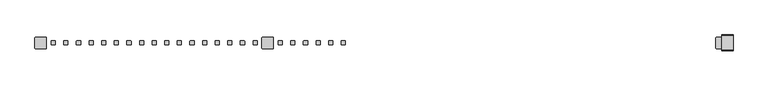
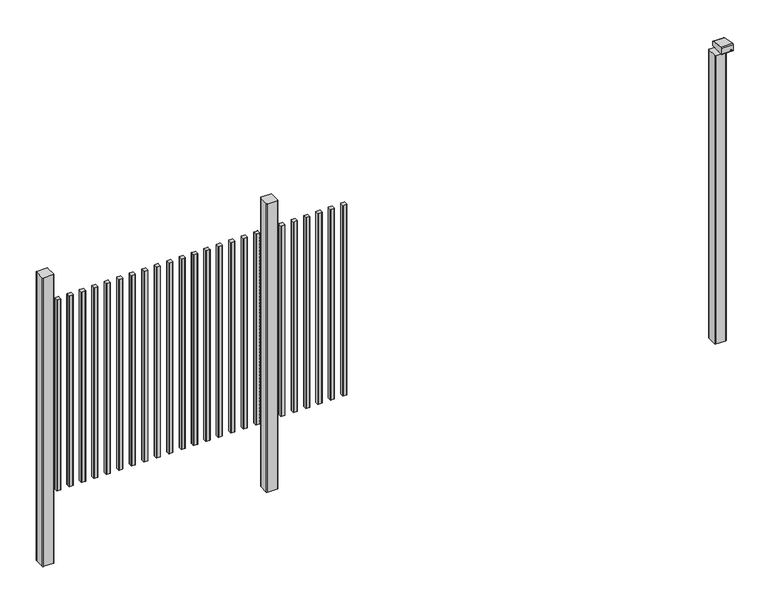
"""IFC4 building model written with IfcOpenShell, lengths in millimetres: railing geometry."""

from ifc_helpers import new_model, si_unit, point, frame, frame_2d, origin, place, context, project, spatial, polyline, circle_curve, trimmed, segment, composite_curve, outline, extrude, source, transform, mapped, element, save
from ifc_brep_helpers import plane_surface, cylinder_surface, advanced_brep


def railing_7795d46d(model_context):
    return source(origin(), model_context, "Body", "SolidModel", [
        extrude(outline(composite_curve([segment(trimmed(circle_curve(frame_2d((4997.1280244, 8428.4508236)), 1.4), [point((4995.7280244, 8428.4508236))], [point((4997.1280244, 8429.8508236))], False, "CARTESIAN"), True, "CONTINUOUS"), segment(polyline([(4997.1280244, 8429.8508236), (5012.3280274, 8429.8508236)]), True, "CONTINUOUS"), segment(trimmed(circle_curve(frame_2d((5012.3280274, 8428.4508236)), 1.4), [point((5012.3280274, 8429.8508236))], [point((5013.7280274, 8428.4508236))], False, "CARTESIAN"), True, "CONTINUOUS"), segment(polyline([(5013.7280274, 8428.4508236), (5013.7280274, 8413.2507846)]), True, "CONTINUOUS"), segment(trimmed(circle_curve(frame_2d((5012.3280274, 8413.2507846)), 1.4), [point((5013.7280274, 8413.2507846))], [point((5012.3280274, 8411.8507846))], False, "CARTESIAN"), True, "CONTINUOUS"), segment(polyline([(5012.3280274, 8411.8507846), (4997.1280244, 8411.8507846)]), True, "CONTINUOUS"), segment(trimmed(circle_curve(frame_2d((4997.1280244, 8413.2507846)), 1.4), [point((4997.1280244, 8411.8507846))], [point((4995.7280244, 8413.2507846))], False, "CARTESIAN"), True, "CONTINUOUS"), segment(polyline([(4995.7280244, 8413.2507846), (4995.7280244, 8428.4508236)]), True, "CONTINUOUS")], self_intersect=False)), frame((0.0, 0.0, 125.0), z_axis=(0.0, 0.0, 1.0), x_axis=(1.0, 0.0, 0.0)), (0.0, 0.0, 1.0), 900.0),
        extrude(outline(composite_curve([segment(trimmed(circle_curve(frame_2d((4941.5724688, 8428.4508236)), 1.4), [point((4940.1724688, 8428.4508236))], [point((4941.5724688, 8429.8508236))], False, "CARTESIAN"), True, "CONTINUOUS"), segment(polyline([(4941.5724688, 8429.8508236), (4956.7724718, 8429.8508236)]), True, "CONTINUOUS"), segment(trimmed(circle_curve(frame_2d((4956.7724718, 8428.4508236)), 1.4), [point((4956.7724718, 8429.8508236))], [point((4958.1724718, 8428.4508236))], False, "CARTESIAN"), True, "CONTINUOUS"), segment(polyline([(4958.1724718, 8428.4508236), (4958.1724718, 8413.2507846)]), True, "CONTINUOUS"), segment(trimmed(circle_curve(frame_2d((4956.7724718, 8413.2507846)), 1.4), [point((4958.1724718, 8413.2507846))], [point((4956.7724718, 8411.8507846))], False, "CARTESIAN"), True, "CONTINUOUS"), segment(polyline([(4956.7724718, 8411.8507846), (4941.5724688, 8411.8507846)]), True, "CONTINUOUS"), segment(trimmed(circle_curve(frame_2d((4941.5724688, 8413.2507846)), 1.4), [point((4941.5724688, 8411.8507846))], [point((4940.1724688, 8413.2507846))], False, "CARTESIAN"), True, "CONTINUOUS"), segment(polyline([(4940.1724688, 8413.2507846), (4940.1724688, 8428.4508236)]), True, "CONTINUOUS")], self_intersect=False)), frame((0.0, 0.0, 125.0), z_axis=(0.0, 0.0, 1.0), x_axis=(1.0, 0.0, 0.0)), (0.0, 0.0, 1.0), 900.0),
        extrude(outline(composite_curve([segment(trimmed(circle_curve(frame_2d((4886.0169133, 8428.4508236)), 1.4), [point((4884.6169133, 8428.4508236))], [point((4886.0169133, 8429.8508236))], False, "CARTESIAN"), True, "CONTINUOUS"), segment(polyline([(4886.0169133, 8429.8508236), (4901.2169163, 8429.8508236)]), True, "CONTINUOUS"), segment(trimmed(circle_curve(frame_2d((4901.2169163, 8428.4508236)), 1.4), [point((4901.2169163, 8429.8508236))], [point((4902.6169163, 8428.4508236))], False, "CARTESIAN"), True, "CONTINUOUS"), segment(polyline([(4902.6169163, 8428.4508236), (4902.6169163, 8413.2507846)]), True, "CONTINUOUS"), segment(trimmed(circle_curve(frame_2d((4901.2169163, 8413.2507846)), 1.4), [point((4902.6169163, 8413.2507846))], [point((4901.2169163, 8411.8507846))], False, "CARTESIAN"), True, "CONTINUOUS"), segment(polyline([(4901.2169163, 8411.8507846), (4886.0169133, 8411.8507846)]), True, "CONTINUOUS"), segment(trimmed(circle_curve(frame_2d((4886.0169133, 8413.2507846)), 1.4), [point((4886.0169133, 8411.8507846))], [point((4884.6169133, 8413.2507846))], False, "CARTESIAN"), True, "CONTINUOUS"), segment(polyline([(4884.6169133, 8413.2507846), (4884.6169133, 8428.4508236)]), True, "CONTINUOUS")], self_intersect=False)), frame((0.0, 0.0, 125.0), z_axis=(0.0, 0.0, 1.0), x_axis=(1.0, 0.0, 0.0)), (0.0, 0.0, 1.0), 900.0),
        extrude(outline(composite_curve([segment(trimmed(circle_curve(frame_2d((4830.4613577, 8428.4508236)), 1.4), [point((4829.0613577, 8428.4508236))], [point((4830.4613577, 8429.8508236))], False, "CARTESIAN"), True, "CONTINUOUS"), segment(polyline([(4830.4613577, 8429.8508236), (4845.6613607, 8429.8508236)]), True, "CONTINUOUS"), segment(trimmed(circle_curve(frame_2d((4845.6613607, 8428.4508236)), 1.4), [point((4845.6613607, 8429.8508236))], [point((4847.0613607, 8428.4508236))], False, "CARTESIAN"), True, "CONTINUOUS"), segment(polyline([(4847.0613607, 8428.4508236), (4847.0613607, 8413.2507846)]), True, "CONTINUOUS"), segment(trimmed(circle_curve(frame_2d((4845.6613607, 8413.2507846)), 1.4), [point((4847.0613607, 8413.2507846))], [point((4845.6613607, 8411.8507846))], False, "CARTESIAN"), True, "CONTINUOUS"), segment(polyline([(4845.6613607, 8411.8507846), (4830.4613577, 8411.8507846)]), True, "CONTINUOUS"), segment(trimmed(circle_curve(frame_2d((4830.4613577, 8413.2507846)), 1.4), [point((4830.4613577, 8411.8507846))], [point((4829.0613577, 8413.2507846))], False, "CARTESIAN"), True, "CONTINUOUS"), segment(polyline([(4829.0613577, 8413.2507846), (4829.0613577, 8428.4508236)]), True, "CONTINUOUS")], self_intersect=False)), frame((0.0, 0.0, 125.0), z_axis=(0.0, 0.0, 1.0), x_axis=(1.0, 0.0, 0.0)), (0.0, 0.0, 1.0), 900.0),
        extrude(outline(composite_curve([segment(trimmed(circle_curve(frame_2d((4774.9058021, 8428.4508236)), 1.4), [point((4773.5058021, 8428.4508236))], [point((4774.9058021, 8429.8508236))], False, "CARTESIAN"), True, "CONTINUOUS"), segment(polyline([(4774.9058021, 8429.8508236), (4790.1058051, 8429.8508236)]), True, "CONTINUOUS"), segment(trimmed(circle_curve(frame_2d((4790.1058051, 8428.4508236)), 1.4), [point((4790.1058051, 8429.8508236))], [point((4791.5058051, 8428.4508236))], False, "CARTESIAN"), True, "CONTINUOUS"), segment(polyline([(4791.5058051, 8428.4508236), (4791.5058051, 8413.2507846)]), True, "CONTINUOUS"), segment(trimmed(circle_curve(frame_2d((4790.1058051, 8413.2507846)), 1.4), [point((4791.5058051, 8413.2507846))], [point((4790.1058051, 8411.8507846))], False, "CARTESIAN"), True, "CONTINUOUS"), segment(polyline([(4790.1058051, 8411.8507846), (4774.9058021, 8411.8507846)]), True, "CONTINUOUS"), segment(trimmed(circle_curve(frame_2d((4774.9058021, 8413.2507846)), 1.4), [point((4774.9058021, 8411.8507846))], [point((4773.5058021, 8413.2507846))], False, "CARTESIAN"), True, "CONTINUOUS"), segment(polyline([(4773.5058021, 8413.2507846), (4773.5058021, 8428.4508236)]), True, "CONTINUOUS")], self_intersect=False)), frame((0.0, 0.0, 125.0), z_axis=(0.0, 0.0, 1.0), x_axis=(1.0, 0.0, 0.0)), (0.0, 0.0, 1.0), 900.0),
        extrude(outline(composite_curve([segment(trimmed(circle_curve(frame_2d((4719.3502466, 8428.4508236)), 1.4), [point((4717.9502466, 8428.4508236))], [point((4719.3502466, 8429.8508236))], False, "CARTESIAN"), True, "CONTINUOUS"), segment(polyline([(4719.3502466, 8429.8508236), (4734.5502496, 8429.8508236)]), True, "CONTINUOUS"), segment(trimmed(circle_curve(frame_2d((4734.5502496, 8428.4508236)), 1.4), [point((4734.5502496, 8429.8508236))], [point((4735.9502496, 8428.4508236))], False, "CARTESIAN"), True, "CONTINUOUS"), segment(polyline([(4735.9502496, 8428.4508236), (4735.9502496, 8413.2507846)]), True, "CONTINUOUS"), segment(trimmed(circle_curve(frame_2d((4734.5502496, 8413.2507846)), 1.4), [point((4735.9502496, 8413.2507846))], [point((4734.5502496, 8411.8507846))], False, "CARTESIAN"), True, "CONTINUOUS"), segment(polyline([(4734.5502496, 8411.8507846), (4719.3502466, 8411.8507846)]), True, "CONTINUOUS"), segment(trimmed(circle_curve(frame_2d((4719.3502466, 8413.2507846)), 1.4), [point((4719.3502466, 8411.8507846))], [point((4717.9502466, 8413.2507846))], False, "CARTESIAN"), True, "CONTINUOUS"), segment(polyline([(4717.9502466, 8413.2507846), (4717.9502466, 8428.4508236)]), True, "CONTINUOUS")], self_intersect=False)), frame((0.0, 0.0, 125.0), z_axis=(0.0, 0.0, 1.0), x_axis=(1.0, 0.0, 0.0)), (0.0, 0.0, 1.0), 900.0),
        extrude(outline(composite_curve([segment(trimmed(circle_curve(frame_2d((4693.7947043, 8443.2508153)), 3.0), [point((4693.794704, 8446.2508153))], [point((4696.7947043, 8443.2508156))], False, "CARTESIAN"), True, "CONTINUOUS"), segment(polyline([(4696.7947043, 8443.2508156), (4696.7947083, 8398.4507926)]), True, "CONTINUOUS"), segment(trimmed(circle_curve(frame_2d((4693.7947083, 8398.4507923)), 3.0), [point((4696.7947083, 8398.4507926))], [point((4693.7947086, 8395.4507923))], False, "CARTESIAN"), True, "CONTINUOUS"), segment(polyline([(4693.7947086, 8395.4507923), (4648.9946856, 8395.4507883)]), True, "CONTINUOUS"), segment(trimmed(circle_curve(frame_2d((4648.9946853, 8398.4507883)), 3.0), [point((4648.9946856, 8395.4507883))], [point((4645.9946853, 8398.450788))], False, "CARTESIAN"), True, "CONTINUOUS"), segment(polyline([(4645.9946853, 8398.450788), (4645.9946813, 8443.250811)]), True, "CONTINUOUS"), segment(trimmed(circle_curve(frame_2d((4648.9946813, 8443.2508113)), 3.0), [point((4645.9946813, 8443.250811))], [point((4648.994681, 8446.2508113))], False, "CARTESIAN"), True, "CONTINUOUS"), segment(polyline([(4648.994681, 8446.2508113), (4693.794704, 8446.2508153)]), True, "CONTINUOUS")], self_intersect=False)), frame((0.0, 0.0, -198.0), z_axis=(0.0, 0.0, 1.0), x_axis=(1.0, 0.0, 0.0)), (0.0, 0.0, 1.0), 1362.2785397),
        extrude(outline(composite_curve([segment(trimmed(circle_curve(frame_2d((4608.2391355, 8428.4508236)), 1.4), [point((4606.8391355, 8428.4508236))], [point((4608.2391355, 8429.8508236))], False, "CARTESIAN"), True, "CONTINUOUS"), segment(polyline([(4608.2391355, 8429.8508236), (4623.4391385, 8429.8508236)]), True, "CONTINUOUS"), segment(trimmed(circle_curve(frame_2d((4623.4391385, 8428.4508236)), 1.4), [point((4623.4391385, 8429.8508236))], [point((4624.8391385, 8428.4508236))], False, "CARTESIAN"), True, "CONTINUOUS"), segment(polyline([(4624.8391385, 8428.4508236), (4624.8391385, 8413.2507846)]), True, "CONTINUOUS"), segment(trimmed(circle_curve(frame_2d((4623.4391385, 8413.2507846)), 1.4), [point((4624.8391385, 8413.2507846))], [point((4623.4391385, 8411.8507846))], False, "CARTESIAN"), True, "CONTINUOUS"), segment(polyline([(4623.4391385, 8411.8507846), (4608.2391355, 8411.8507846)]), True, "CONTINUOUS"), segment(trimmed(circle_curve(frame_2d((4608.2391355, 8413.2507846)), 1.4), [point((4608.2391355, 8411.8507846))], [point((4606.8391355, 8413.2507846))], False, "CARTESIAN"), True, "CONTINUOUS"), segment(polyline([(4606.8391355, 8413.2507846), (4606.8391355, 8428.4508236)]), True, "CONTINUOUS")], self_intersect=False)), frame((0.0, 0.0, 125.0), z_axis=(0.0, 0.0, 1.0), x_axis=(1.0, 0.0, 0.0)), (0.0, 0.0, 1.0), 900.0),
        extrude(outline(composite_curve([segment(trimmed(circle_curve(frame_2d((4552.6835799, 8428.4508236)), 1.4), [point((4551.2835799, 8428.4508236))], [point((4552.6835799, 8429.8508236))], False, "CARTESIAN"), True, "CONTINUOUS"), segment(polyline([(4552.6835799, 8429.8508236), (4567.8835829, 8429.8508236)]), True, "CONTINUOUS"), segment(trimmed(circle_curve(frame_2d((4567.8835829, 8428.4508236)), 1.4), [point((4567.8835829, 8429.8508236))], [point((4569.2835829, 8428.4508236))], False, "CARTESIAN"), True, "CONTINUOUS"), segment(polyline([(4569.2835829, 8428.4508236), (4569.2835829, 8413.2507846)]), True, "CONTINUOUS"), segment(trimmed(circle_curve(frame_2d((4567.8835829, 8413.2507846)), 1.4), [point((4569.2835829, 8413.2507846))], [point((4567.8835829, 8411.8507846))], False, "CARTESIAN"), True, "CONTINUOUS"), segment(polyline([(4567.8835829, 8411.8507846), (4552.6835799, 8411.8507846)]), True, "CONTINUOUS"), segment(trimmed(circle_curve(frame_2d((4552.6835799, 8413.2507846)), 1.4), [point((4552.6835799, 8411.8507846))], [point((4551.2835799, 8413.2507846))], False, "CARTESIAN"), True, "CONTINUOUS"), segment(polyline([(4551.2835799, 8413.2507846), (4551.2835799, 8428.4508236)]), True, "CONTINUOUS")], self_intersect=False)), frame((0.0, 0.0, 125.0), z_axis=(0.0, 0.0, 1.0), x_axis=(1.0, 0.0, 0.0)), (0.0, 0.0, 1.0), 900.0),
        extrude(outline(composite_curve([segment(trimmed(circle_curve(frame_2d((4497.1280244, 8428.4508236)), 1.4), [point((4495.7280244, 8428.4508236))], [point((4497.1280244, 8429.8508236))], False, "CARTESIAN"), True, "CONTINUOUS"), segment(polyline([(4497.1280244, 8429.8508236), (4512.3280274, 8429.8508236)]), True, "CONTINUOUS"), segment(trimmed(circle_curve(frame_2d((4512.3280274, 8428.4508236)), 1.4), [point((4512.3280274, 8429.8508236))], [point((4513.7280274, 8428.4508236))], False, "CARTESIAN"), True, "CONTINUOUS"), segment(polyline([(4513.7280274, 8428.4508236), (4513.7280274, 8413.2507846)]), True, "CONTINUOUS"), segment(trimmed(circle_curve(frame_2d((4512.3280274, 8413.2507846)), 1.4), [point((4513.7280274, 8413.2507846))], [point((4512.3280274, 8411.8507846))], False, "CARTESIAN"), True, "CONTINUOUS"), segment(polyline([(4512.3280274, 8411.8507846), (4497.1280244, 8411.8507846)]), True, "CONTINUOUS"), segment(trimmed(circle_curve(frame_2d((4497.1280244, 8413.2507846)), 1.4), [point((4497.1280244, 8411.8507846))], [point((4495.7280244, 8413.2507846))], False, "CARTESIAN"), True, "CONTINUOUS"), segment(polyline([(4495.7280244, 8413.2507846), (4495.7280244, 8428.4508236)]), True, "CONTINUOUS")], self_intersect=False)), frame((0.0, 0.0, 125.0), z_axis=(0.0, 0.0, 1.0), x_axis=(1.0, 0.0, 0.0)), (0.0, 0.0, 1.0), 900.0),
        extrude(outline(composite_curve([segment(trimmed(circle_curve(frame_2d((4441.5724688, 8428.4508236)), 1.4), [point((4440.1724688, 8428.4508236))], [point((4441.5724688, 8429.8508236))], False, "CARTESIAN"), True, "CONTINUOUS"), segment(polyline([(4441.5724688, 8429.8508236), (4456.7724718, 8429.8508236)]), True, "CONTINUOUS"), segment(trimmed(circle_curve(frame_2d((4456.7724718, 8428.4508236)), 1.4), [point((4456.7724718, 8429.8508236))], [point((4458.1724718, 8428.4508236))], False, "CARTESIAN"), True, "CONTINUOUS"), segment(polyline([(4458.1724718, 8428.4508236), (4458.1724718, 8413.2507846)]), True, "CONTINUOUS"), segment(trimmed(circle_curve(frame_2d((4456.7724718, 8413.2507846)), 1.4), [point((4458.1724718, 8413.2507846))], [point((4456.7724718, 8411.8507846))], False, "CARTESIAN"), True, "CONTINUOUS"), segment(polyline([(4456.7724718, 8411.8507846), (4441.5724688, 8411.8507846)]), True, "CONTINUOUS"), segment(trimmed(circle_curve(frame_2d((4441.5724688, 8413.2507846)), 1.4), [point((4441.5724688, 8411.8507846))], [point((4440.1724688, 8413.2507846))], False, "CARTESIAN"), True, "CONTINUOUS"), segment(polyline([(4440.1724688, 8413.2507846), (4440.1724688, 8428.4508236)]), True, "CONTINUOUS")], self_intersect=False)), frame((0.0, 0.0, 125.0), z_axis=(0.0, 0.0, 1.0), x_axis=(1.0, 0.0, 0.0)), (0.0, 0.0, 1.0), 900.0),
        extrude(outline(composite_curve([segment(trimmed(circle_curve(frame_2d((4386.0169133, 8428.4508236)), 1.4), [point((4384.6169133, 8428.4508236))], [point((4386.0169133, 8429.8508236))], False, "CARTESIAN"), True, "CONTINUOUS"), segment(polyline([(4386.0169133, 8429.8508236), (4401.2169163, 8429.8508236)]), True, "CONTINUOUS"), segment(trimmed(circle_curve(frame_2d((4401.2169163, 8428.4508236)), 1.4), [point((4401.2169163, 8429.8508236))], [point((4402.6169163, 8428.4508236))], False, "CARTESIAN"), True, "CONTINUOUS"), segment(polyline([(4402.6169163, 8428.4508236), (4402.6169163, 8413.2507846)]), True, "CONTINUOUS"), segment(trimmed(circle_curve(frame_2d((4401.2169163, 8413.2507846)), 1.4), [point((4402.6169163, 8413.2507846))], [point((4401.2169163, 8411.8507846))], False, "CARTESIAN"), True, "CONTINUOUS"), segment(polyline([(4401.2169163, 8411.8507846), (4386.0169133, 8411.8507846)]), True, "CONTINUOUS"), segment(trimmed(circle_curve(frame_2d((4386.0169133, 8413.2507846)), 1.4), [point((4386.0169133, 8411.8507846))], [point((4384.6169133, 8413.2507846))], False, "CARTESIAN"), True, "CONTINUOUS"), segment(polyline([(4384.6169133, 8413.2507846), (4384.6169133, 8428.4508236)]), True, "CONTINUOUS")], self_intersect=False)), frame((0.0, 0.0, 125.0), z_axis=(0.0, 0.0, 1.0), x_axis=(1.0, 0.0, 0.0)), (0.0, 0.0, 1.0), 900.0),
        extrude(outline(composite_curve([segment(trimmed(circle_curve(frame_2d((4330.4613577, 8428.4508236)), 1.4), [point((4329.0613577, 8428.4508236))], [point((4330.4613577, 8429.8508236))], False, "CARTESIAN"), True, "CONTINUOUS"), segment(polyline([(4330.4613577, 8429.8508236), (4345.6613607, 8429.8508236)]), True, "CONTINUOUS"), segment(trimmed(circle_curve(frame_2d((4345.6613607, 8428.4508236)), 1.4), [point((4345.6613607, 8429.8508236))], [point((4347.0613607, 8428.4508236))], False, "CARTESIAN"), True, "CONTINUOUS"), segment(polyline([(4347.0613607, 8428.4508236), (4347.0613607, 8413.2507846)]), True, "CONTINUOUS"), segment(trimmed(circle_curve(frame_2d((4345.6613607, 8413.2507846)), 1.4), [point((4347.0613607, 8413.2507846))], [point((4345.6613607, 8411.8507846))], False, "CARTESIAN"), True, "CONTINUOUS"), segment(polyline([(4345.6613607, 8411.8507846), (4330.4613577, 8411.8507846)]), True, "CONTINUOUS"), segment(trimmed(circle_curve(frame_2d((4330.4613577, 8413.2507846)), 1.4), [point((4330.4613577, 8411.8507846))], [point((4329.0613577, 8413.2507846))], False, "CARTESIAN"), True, "CONTINUOUS"), segment(polyline([(4329.0613577, 8413.2507846), (4329.0613577, 8428.4508236)]), True, "CONTINUOUS")], self_intersect=False)), frame((0.0, 0.0, 125.0), z_axis=(0.0, 0.0, 1.0), x_axis=(1.0, 0.0, 0.0)), (0.0, 0.0, 1.0), 900.0),
        extrude(outline(composite_curve([segment(trimmed(circle_curve(frame_2d((4274.9058021, 8428.4508236)), 1.4), [point((4273.5058021, 8428.4508236))], [point((4274.9058021, 8429.8508236))], False, "CARTESIAN"), True, "CONTINUOUS"), segment(polyline([(4274.9058021, 8429.8508236), (4290.1058051, 8429.8508236)]), True, "CONTINUOUS"), segment(trimmed(circle_curve(frame_2d((4290.1058051, 8428.4508236)), 1.4), [point((4290.1058051, 8429.8508236))], [point((4291.5058051, 8428.4508236))], False, "CARTESIAN"), True, "CONTINUOUS"), segment(polyline([(4291.5058051, 8428.4508236), (4291.5058051, 8413.2507846)]), True, "CONTINUOUS"), segment(trimmed(circle_curve(frame_2d((4290.1058051, 8413.2507846)), 1.4), [point((4291.5058051, 8413.2507846))], [point((4290.1058051, 8411.8507846))], False, "CARTESIAN"), True, "CONTINUOUS"), segment(polyline([(4290.1058051, 8411.8507846), (4274.9058021, 8411.8507846)]), True, "CONTINUOUS"), segment(trimmed(circle_curve(frame_2d((4274.9058021, 8413.2507846)), 1.4), [point((4274.9058021, 8411.8507846))], [point((4273.5058021, 8413.2507846))], False, "CARTESIAN"), True, "CONTINUOUS"), segment(polyline([(4273.5058021, 8413.2507846), (4273.5058021, 8428.4508236)]), True, "CONTINUOUS")], self_intersect=False)), frame((0.0, 0.0, 125.0), z_axis=(0.0, 0.0, 1.0), x_axis=(1.0, 0.0, 0.0)), (0.0, 0.0, 1.0), 900.0),
        extrude(outline(composite_curve([segment(trimmed(circle_curve(frame_2d((4219.3502466, 8428.4508236)), 1.4), [point((4217.9502466, 8428.4508236))], [point((4219.3502466, 8429.8508236))], False, "CARTESIAN"), True, "CONTINUOUS"), segment(polyline([(4219.3502466, 8429.8508236), (4234.5502496, 8429.8508236)]), True, "CONTINUOUS"), segment(trimmed(circle_curve(frame_2d((4234.5502496, 8428.4508236)), 1.4), [point((4234.5502496, 8429.8508236))], [point((4235.9502496, 8428.4508236))], False, "CARTESIAN"), True, "CONTINUOUS"), segment(polyline([(4235.9502496, 8428.4508236), (4235.9502496, 8413.2507846)]), True, "CONTINUOUS"), segment(trimmed(circle_curve(frame_2d((4234.5502496, 8413.2507846)), 1.4), [point((4235.9502496, 8413.2507846))], [point((4234.5502496, 8411.8507846))], False, "CARTESIAN"), True, "CONTINUOUS"), segment(polyline([(4234.5502496, 8411.8507846), (4219.3502466, 8411.8507846)]), True, "CONTINUOUS"), segment(trimmed(circle_curve(frame_2d((4219.3502466, 8413.2507846)), 1.4), [point((4219.3502466, 8411.8507846))], [point((4217.9502466, 8413.2507846))], False, "CARTESIAN"), True, "CONTINUOUS"), segment(polyline([(4217.9502466, 8413.2507846), (4217.9502466, 8428.4508236)]), True, "CONTINUOUS")], self_intersect=False)), frame((0.0, 0.0, 125.0), z_axis=(0.0, 0.0, 1.0), x_axis=(1.0, 0.0, 0.0)), (0.0, 0.0, 1.0), 900.0),
        extrude(outline(composite_curve([segment(trimmed(circle_curve(frame_2d((4163.794691, 8428.4508236)), 1.4), [point((4162.394691, 8428.4508236))], [point((4163.794691, 8429.8508236))], False, "CARTESIAN"), True, "CONTINUOUS"), segment(polyline([(4163.794691, 8429.8508236), (4178.994694, 8429.8508236)]), True, "CONTINUOUS"), segment(trimmed(circle_curve(frame_2d((4178.994694, 8428.4508236)), 1.4), [point((4178.994694, 8429.8508236))], [point((4180.394694, 8428.4508236))], False, "CARTESIAN"), True, "CONTINUOUS"), segment(polyline([(4180.394694, 8428.4508236), (4180.394694, 8413.2507846)]), True, "CONTINUOUS"), segment(trimmed(circle_curve(frame_2d((4178.994694, 8413.2507846)), 1.4), [point((4180.394694, 8413.2507846))], [point((4178.994694, 8411.8507846))], False, "CARTESIAN"), True, "CONTINUOUS"), segment(polyline([(4178.994694, 8411.8507846), (4163.794691, 8411.8507846)]), True, "CONTINUOUS"), segment(trimmed(circle_curve(frame_2d((4163.794691, 8413.2507846)), 1.4), [point((4163.794691, 8411.8507846))], [point((4162.394691, 8413.2507846))], False, "CARTESIAN"), True, "CONTINUOUS"), segment(polyline([(4162.394691, 8413.2507846), (4162.394691, 8428.4508236)]), True, "CONTINUOUS")], self_intersect=False)), frame((0.0, 0.0, 125.0), z_axis=(0.0, 0.0, 1.0), x_axis=(1.0, 0.0, 0.0)), (0.0, 0.0, 1.0), 900.0),
        extrude(outline(composite_curve([segment(trimmed(circle_curve(frame_2d((4108.2391355, 8428.4508236)), 1.4), [point((4106.8391355, 8428.4508236))], [point((4108.2391355, 8429.8508236))], False, "CARTESIAN"), True, "CONTINUOUS"), segment(polyline([(4108.2391355, 8429.8508236), (4123.4391385, 8429.8508236)]), True, "CONTINUOUS"), segment(trimmed(circle_curve(frame_2d((4123.4391385, 8428.4508236)), 1.4), [point((4123.4391385, 8429.8508236))], [point((4124.8391385, 8428.4508236))], False, "CARTESIAN"), True, "CONTINUOUS"), segment(polyline([(4124.8391385, 8428.4508236), (4124.8391385, 8413.2507846)]), True, "CONTINUOUS"), segment(trimmed(circle_curve(frame_2d((4123.4391385, 8413.2507846)), 1.4), [point((4124.8391385, 8413.2507846))], [point((4123.4391385, 8411.8507846))], False, "CARTESIAN"), True, "CONTINUOUS"), segment(polyline([(4123.4391385, 8411.8507846), (4108.2391355, 8411.8507846)]), True, "CONTINUOUS"), segment(trimmed(circle_curve(frame_2d((4108.2391355, 8413.2507846)), 1.4), [point((4108.2391355, 8411.8507846))], [point((4106.8391355, 8413.2507846))], False, "CARTESIAN"), True, "CONTINUOUS"), segment(polyline([(4106.8391355, 8413.2507846), (4106.8391355, 8428.4508236)]), True, "CONTINUOUS")], self_intersect=False)), frame((0.0, 0.0, 125.0), z_axis=(0.0, 0.0, 1.0), x_axis=(1.0, 0.0, 0.0)), (0.0, 0.0, 1.0), 900.0),
        extrude(outline(composite_curve([segment(trimmed(circle_curve(frame_2d((4052.6835799, 8428.4508236)), 1.4), [point((4051.2835799, 8428.4508236))], [point((4052.6835799, 8429.8508236))], False, "CARTESIAN"), True, "CONTINUOUS"), segment(polyline([(4052.6835799, 8429.8508236), (4067.8835829, 8429.8508236)]), True, "CONTINUOUS"), segment(trimmed(circle_curve(frame_2d((4067.8835829, 8428.4508236)), 1.4), [point((4067.8835829, 8429.8508236))], [point((4069.2835829, 8428.4508236))], False, "CARTESIAN"), True, "CONTINUOUS"), segment(polyline([(4069.2835829, 8428.4508236), (4069.2835829, 8413.2507846)]), True, "CONTINUOUS"), segment(trimmed(circle_curve(frame_2d((4067.8835829, 8413.2507846)), 1.4), [point((4069.2835829, 8413.2507846))], [point((4067.8835829, 8411.8507846))], False, "CARTESIAN"), True, "CONTINUOUS"), segment(polyline([(4067.8835829, 8411.8507846), (4052.6835799, 8411.8507846)]), True, "CONTINUOUS"), segment(trimmed(circle_curve(frame_2d((4052.6835799, 8413.2507846)), 1.4), [point((4052.6835799, 8411.8507846))], [point((4051.2835799, 8413.2507846))], False, "CARTESIAN"), True, "CONTINUOUS"), segment(polyline([(4051.2835799, 8413.2507846), (4051.2835799, 8428.4508236)]), True, "CONTINUOUS")], self_intersect=False)), frame((0.0, 0.0, 125.0), z_axis=(0.0, 0.0, 1.0), x_axis=(1.0, 0.0, 0.0)), (0.0, 0.0, 1.0), 900.0),
        extrude(outline(composite_curve([segment(trimmed(circle_curve(frame_2d((3997.1280244, 8428.4508236)), 1.4), [point((3995.7280244, 8428.4508236))], [point((3997.1280244, 8429.8508236))], False, "CARTESIAN"), True, "CONTINUOUS"), segment(polyline([(3997.1280244, 8429.8508236), (4012.3280274, 8429.8508236)]), True, "CONTINUOUS"), segment(trimmed(circle_curve(frame_2d((4012.3280274, 8428.4508236)), 1.4), [point((4012.3280274, 8429.8508236))], [point((4013.7280274, 8428.4508236))], False, "CARTESIAN"), True, "CONTINUOUS"), segment(polyline([(4013.7280274, 8428.4508236), (4013.7280274, 8413.2507846)]), True, "CONTINUOUS"), segment(trimmed(circle_curve(frame_2d((4012.3280274, 8413.2507846)), 1.4), [point((4013.7280274, 8413.2507846))], [point((4012.3280274, 8411.8507846))], False, "CARTESIAN"), True, "CONTINUOUS"), segment(polyline([(4012.3280274, 8411.8507846), (3997.1280244, 8411.8507846)]), True, "CONTINUOUS"), segment(trimmed(circle_curve(frame_2d((3997.1280244, 8413.2507846)), 1.4), [point((3997.1280244, 8411.8507846))], [point((3995.7280244, 8413.2507846))], False, "CARTESIAN"), True, "CONTINUOUS"), segment(polyline([(3995.7280244, 8413.2507846), (3995.7280244, 8428.4508236)]), True, "CONTINUOUS")], self_intersect=False)), frame((0.0, 0.0, 125.0), z_axis=(0.0, 0.0, 1.0), x_axis=(1.0, 0.0, 0.0)), (0.0, 0.0, 1.0), 900.0),
        extrude(outline(composite_curve([segment(trimmed(circle_curve(frame_2d((3941.5724688, 8428.4508236)), 1.4), [point((3940.1724688, 8428.4508236))], [point((3941.5724688, 8429.8508236))], False, "CARTESIAN"), True, "CONTINUOUS"), segment(polyline([(3941.5724688, 8429.8508236), (3956.7724718, 8429.8508236)]), True, "CONTINUOUS"), segment(trimmed(circle_curve(frame_2d((3956.7724718, 8428.4508236)), 1.4), [point((3956.7724718, 8429.8508236))], [point((3958.1724718, 8428.4508236))], False, "CARTESIAN"), True, "CONTINUOUS"), segment(polyline([(3958.1724718, 8428.4508236), (3958.1724718, 8413.2507846)]), True, "CONTINUOUS"), segment(trimmed(circle_curve(frame_2d((3956.7724718, 8413.2507846)), 1.4), [point((3958.1724718, 8413.2507846))], [point((3956.7724718, 8411.8507846))], False, "CARTESIAN"), True, "CONTINUOUS"), segment(polyline([(3956.7724718, 8411.8507846), (3941.5724688, 8411.8507846)]), True, "CONTINUOUS"), segment(trimmed(circle_curve(frame_2d((3941.5724688, 8413.2507846)), 1.4), [point((3941.5724688, 8411.8507846))], [point((3940.1724688, 8413.2507846))], False, "CARTESIAN"), True, "CONTINUOUS"), segment(polyline([(3940.1724688, 8413.2507846), (3940.1724688, 8428.4508236)]), True, "CONTINUOUS")], self_intersect=False)), frame((0.0, 0.0, 125.0), z_axis=(0.0, 0.0, 1.0), x_axis=(1.0, 0.0, 0.0)), (0.0, 0.0, 1.0), 900.0),
        extrude(outline(composite_curve([segment(trimmed(circle_curve(frame_2d((3886.0169133, 8428.4508236)), 1.4), [point((3884.6169133, 8428.4508236))], [point((3886.0169133, 8429.8508236))], False, "CARTESIAN"), True, "CONTINUOUS"), segment(polyline([(3886.0169133, 8429.8508236), (3901.2169163, 8429.8508236)]), True, "CONTINUOUS"), segment(trimmed(circle_curve(frame_2d((3901.2169163, 8428.4508236)), 1.4), [point((3901.2169163, 8429.8508236))], [point((3902.6169163, 8428.4508236))], False, "CARTESIAN"), True, "CONTINUOUS"), segment(polyline([(3902.6169163, 8428.4508236), (3902.6169163, 8413.2507846)]), True, "CONTINUOUS"), segment(trimmed(circle_curve(frame_2d((3901.2169163, 8413.2507846)), 1.4), [point((3902.6169163, 8413.2507846))], [point((3901.2169163, 8411.8507846))], False, "CARTESIAN"), True, "CONTINUOUS"), segment(polyline([(3901.2169163, 8411.8507846), (3886.0169133, 8411.8507846)]), True, "CONTINUOUS"), segment(trimmed(circle_curve(frame_2d((3886.0169133, 8413.2507846)), 1.4), [point((3886.0169133, 8411.8507846))], [point((3884.6169133, 8413.2507846))], False, "CARTESIAN"), True, "CONTINUOUS"), segment(polyline([(3884.6169133, 8413.2507846), (3884.6169133, 8428.4508236)]), True, "CONTINUOUS")], self_intersect=False)), frame((0.0, 0.0, 125.0), z_axis=(0.0, 0.0, 1.0), x_axis=(1.0, 0.0, 0.0)), (0.0, 0.0, 1.0), 900.0),
        extrude(outline(composite_curve([segment(trimmed(circle_curve(frame_2d((3830.4613577, 8428.4508236)), 1.4), [point((3829.0613577, 8428.4508236))], [point((3830.4613577, 8429.8508236))], False, "CARTESIAN"), True, "CONTINUOUS"), segment(polyline([(3830.4613577, 8429.8508236), (3845.6613607, 8429.8508236)]), True, "CONTINUOUS"), segment(trimmed(circle_curve(frame_2d((3845.6613607, 8428.4508236)), 1.4), [point((3845.6613607, 8429.8508236))], [point((3847.0613607, 8428.4508236))], False, "CARTESIAN"), True, "CONTINUOUS"), segment(polyline([(3847.0613607, 8428.4508236), (3847.0613607, 8413.2507846)]), True, "CONTINUOUS"), segment(trimmed(circle_curve(frame_2d((3845.6613607, 8413.2507846)), 1.4), [point((3847.0613607, 8413.2507846))], [point((3845.6613607, 8411.8507846))], False, "CARTESIAN"), True, "CONTINUOUS"), segment(polyline([(3845.6613607, 8411.8507846), (3830.4613577, 8411.8507846)]), True, "CONTINUOUS"), segment(trimmed(circle_curve(frame_2d((3830.4613577, 8413.2507846)), 1.4), [point((3830.4613577, 8411.8507846))], [point((3829.0613577, 8413.2507846))], False, "CARTESIAN"), True, "CONTINUOUS"), segment(polyline([(3829.0613577, 8413.2507846), (3829.0613577, 8428.4508236)]), True, "CONTINUOUS")], self_intersect=False)), frame((0.0, 0.0, 125.0), z_axis=(0.0, 0.0, 1.0), x_axis=(1.0, 0.0, 0.0)), (0.0, 0.0, 1.0), 900.0),
        extrude(outline(composite_curve([segment(trimmed(circle_curve(frame_2d((3774.9058021, 8428.4508236)), 1.4), [point((3773.5058021, 8428.4508236))], [point((3774.9058021, 8429.8508236))], False, "CARTESIAN"), True, "CONTINUOUS"), segment(polyline([(3774.9058021, 8429.8508236), (3790.1058051, 8429.8508236)]), True, "CONTINUOUS"), segment(trimmed(circle_curve(frame_2d((3790.1058051, 8428.4508236)), 1.4), [point((3790.1058051, 8429.8508236))], [point((3791.5058051, 8428.4508236))], False, "CARTESIAN"), True, "CONTINUOUS"), segment(polyline([(3791.5058051, 8428.4508236), (3791.5058051, 8413.2507846)]), True, "CONTINUOUS"), segment(trimmed(circle_curve(frame_2d((3790.1058051, 8413.2507846)), 1.4), [point((3791.5058051, 8413.2507846))], [point((3790.1058051, 8411.8507846))], False, "CARTESIAN"), True, "CONTINUOUS"), segment(polyline([(3790.1058051, 8411.8507846), (3774.9058021, 8411.8507846)]), True, "CONTINUOUS"), segment(trimmed(circle_curve(frame_2d((3774.9058021, 8413.2507846)), 1.4), [point((3774.9058021, 8411.8507846))], [point((3773.5058021, 8413.2507846))], False, "CARTESIAN"), True, "CONTINUOUS"), segment(polyline([(3773.5058021, 8413.2507846), (3773.5058021, 8428.4508236)]), True, "CONTINUOUS")], self_intersect=False)), frame((0.0, 0.0, 125.0), z_axis=(0.0, 0.0, 1.0), x_axis=(1.0, 0.0, 0.0)), (0.0, 0.0, 1.0), 900.0),
        extrude(outline(composite_curve([segment(trimmed(circle_curve(frame_2d((3719.3502466, 8428.4508236)), 1.4), [point((3717.9502466, 8428.4508236))], [point((3719.3502466, 8429.8508236))], False, "CARTESIAN"), True, "CONTINUOUS"), segment(polyline([(3719.3502466, 8429.8508236), (3734.5502496, 8429.8508236)]), True, "CONTINUOUS"), segment(trimmed(circle_curve(frame_2d((3734.5502496, 8428.4508236)), 1.4), [point((3734.5502496, 8429.8508236))], [point((3735.9502496, 8428.4508236))], False, "CARTESIAN"), True, "CONTINUOUS"), segment(polyline([(3735.9502496, 8428.4508236), (3735.9502496, 8413.2507846)]), True, "CONTINUOUS"), segment(trimmed(circle_curve(frame_2d((3734.5502496, 8413.2507846)), 1.4), [point((3735.9502496, 8413.2507846))], [point((3734.5502496, 8411.8507846))], False, "CARTESIAN"), True, "CONTINUOUS"), segment(polyline([(3734.5502496, 8411.8507846), (3719.3502466, 8411.8507846)]), True, "CONTINUOUS"), segment(trimmed(circle_curve(frame_2d((3719.3502466, 8413.2507846)), 1.4), [point((3719.3502466, 8411.8507846))], [point((3717.9502466, 8413.2507846))], False, "CARTESIAN"), True, "CONTINUOUS"), segment(polyline([(3717.9502466, 8413.2507846), (3717.9502466, 8428.4508236)]), True, "CONTINUOUS")], self_intersect=False)), frame((0.0, 0.0, 125.0), z_axis=(0.0, 0.0, 1.0), x_axis=(1.0, 0.0, 0.0)), (0.0, 0.0, 1.0), 900.0),
        extrude(outline(composite_curve([segment(trimmed(circle_curve(frame_2d((6693.7947043, 8443.2508153)), 3.0), [point((6693.794704, 8446.2508153))], [point((6696.7947043, 8443.2508156))], False, "CARTESIAN"), True, "CONTINUOUS"), segment(polyline([(6696.7947043, 8443.2508156), (6696.7947083, 8398.4507926)]), True, "CONTINUOUS"), segment(trimmed(circle_curve(frame_2d((6693.7947083, 8398.4507923)), 3.0), [point((6696.7947083, 8398.4507926))], [point((6693.7947086, 8395.4507923))], False, "CARTESIAN"), True, "CONTINUOUS"), segment(polyline([(6693.7947086, 8395.4507923), (6648.9946856, 8395.4507883)]), True, "CONTINUOUS"), segment(trimmed(circle_curve(frame_2d((6648.9946853, 8398.4507883)), 3.0), [point((6648.9946856, 8395.4507883))], [point((6645.9946853, 8398.450788))], False, "CARTESIAN"), True, "CONTINUOUS"), segment(polyline([(6645.9946853, 8398.450788), (6645.9946813, 8443.250811)]), True, "CONTINUOUS"), segment(trimmed(circle_curve(frame_2d((6648.9946813, 8443.2508113)), 3.0), [point((6645.9946813, 8443.250811))], [point((6648.994681, 8446.2508113))], False, "CARTESIAN"), True, "CONTINUOUS"), segment(polyline([(6648.994681, 8446.2508113), (6693.794704, 8446.2508153)]), True, "CONTINUOUS")], self_intersect=False)), frame((0.0, 0.0, -198.0), z_axis=(0.0, 0.0, 1.0), x_axis=(1.0, 0.0, 0.0)), (0.0, 0.0, 1.0), 1362.2785397),
        advanced_brep(
        [(6721.3946838, 8389.3630551, 1199.9544233), (6721.3946838, 8385.8421106, 1197.0), (6721.3946838, 8385.8421106, 1169.2), (6721.3946838, 8388.8421106, 1166.2), (6721.3946838, 8393.6920245, 1166.2), (6721.3946838, 8394.5830297, 1166.9730759), (6721.3946838, 8395.1561053, 1166.4000003), (6721.3946838, 8413.2660875, 1166.4000003), (6721.3946838, 8413.8619702, 1165.6106384), (6721.3946838, 8427.8416451, 1165.6114192), (6721.3946838, 8428.4355206, 1166.4000003), (6721.3946838, 8446.5960229, 1166.4000003), (6721.3946838, 8447.0960229, 1166.9000033), (6721.3946838, 8448.0249587, 1166.2), (6721.3946838, 8452.8421106, 1166.2), (6721.3946838, 8455.8421106, 1169.2), (6721.3946838, 8455.8421106, 1185.7150732), (6721.3946838, 8453.3630551, 1188.6694965), (6671.3946838, 8389.3630551, 1199.9544233), (6671.3946838, 8453.3630551, 1188.6694965), (6671.3946838, 8455.8421106, 1185.7150732), (6671.3946838, 8455.8421106, 1169.2), (6671.3946838, 8452.8421106, 1166.2), (6671.3946838, 8448.0249587, 1166.2), (6671.3946838, 8447.0960229, 1166.9000033), (6671.3946838, 8446.5960229, 1166.4000003), (6671.3946838, 8428.4355206, 1166.4000003), (6671.3946838, 8427.8416397, 1165.6114328), (6671.3946838, 8413.8585412, 1165.6114192), (6671.3946838, 8413.2660875, 1166.4000003), (6671.3946838, 8395.1561053, 1166.4000003), (6671.3946838, 8394.5830297, 1166.9730759), (6671.3946838, 8393.6920245, 1166.2), (6671.3946838, 8388.8421106, 1166.2), (6671.3946838, 8385.8421106, 1169.2), (6671.3946838, 8385.8421106, 1197.0)],
        [
            (0, 1, circle_curve(frame((6721.3946838, 8388.8421106, 1197.0), z_axis=(1.0, 0.0, 0.0), x_axis=(0.0, 0.17364817766704857, 0.9848077530121873)), 3.0)),
            (1, 2),
            (2, 3, circle_curve(frame((6721.3946838, 8388.8421106, 1169.2), z_axis=(1.0, 0.0, 0.0), x_axis=(0.0, -1.0, 0.0)), 3.0)),
            (3, 4),
            (4, 5, circle_curve(frame((6721.3946838, 8393.6920245, 1167.1), z_axis=(1.0, 0.0, 0.0), x_axis=(0.0, 0.0, -1.0)), 0.9)),
            (5, 6, circle_curve(frame((6721.3946838, 8395.1561053, 1166.9730759), z_axis=(1.0, 0.0, 0.0), x_axis=(0.0, -1.0, 0.0)), 0.5730756)),
            (6, 7),
            (7, 8, circle_curve(frame((6721.3946838, 8414.2114065, 1166.4940192), z_axis=(1.0, 0.0, 0.0), x_axis=(0.0, -1.0, 0.0)), 0.9499829)),
            (8, 9, circle_curve(frame((6721.3946838, 8420.8500931, 1183.2818957), z_axis=(1.0, 0.0, 0.0), x_axis=(0.0, -1.0, 0.0)), 19.003356)),
            (9, 10, circle_curve(frame((6721.3946838, 8427.4902016, 1166.4940192), z_axis=(1.0, 0.0, 0.0), x_axis=(0.0, 1.0, 0.0)), 0.9499829)),
            (10, 11),
            (11, 12, circle_curve(frame((6721.3946838, 8446.5960229, 1166.9000003), z_axis=(1.0, 0.0, 0.0), x_axis=(0.0, 0.0, -1.0)), 0.5)),
            (12, 13, circle_curve(frame((6721.3946838, 8448.0072204, 1167.1428319), z_axis=(1.0, 0.0, 0.0), x_axis=(0.0, -1.0, 0.0)), 0.9429987)),
            (13, 14),
            (14, 15, circle_curve(frame((6721.3946838, 8452.8421106, 1169.2), z_axis=(1.0, 0.0, 0.0), x_axis=(0.0, 0.0, -1.0)), 3.0)),
            (15, 16),
            (16, 17, circle_curve(frame((6721.3946838, 8452.8421106, 1185.7150732), z_axis=(1.0, 0.0, 0.0), x_axis=(0.0, 1.0, 0.0)), 3.0)),
            (17, 0),
            (18, 19),
            (19, 20, circle_curve(frame((6671.3946838, 8452.8421106, 1185.7150732), z_axis=(-1.0, 0.0, 0.0), x_axis=(0.0, 1.0, 0.0)), 3.0)),
            (20, 21),
            (21, 22, circle_curve(frame((6671.3946838, 8452.8421106, 1169.2), z_axis=(-1.0, 0.0, 0.0), x_axis=(0.0, 0.0, -1.0)), 3.0)),
            (22, 23),
            (23, 24, circle_curve(frame((6671.3946838, 8448.0072204, 1167.1428319), z_axis=(-1.0, 0.0, 0.0), x_axis=(0.0, -1.0, 0.0)), 0.9429987)),
            (24, 25, circle_curve(frame((6671.3946838, 8446.5960229, 1166.9000003), z_axis=(-1.0, 0.0, 0.0), x_axis=(0.0, 0.0, -1.0)), 0.5)),
            (25, 26),
            (26, 27, circle_curve(frame((6671.3946838, 8427.4902016, 1166.4940192), z_axis=(-1.0, 0.0, 0.0), x_axis=(0.0, 1.0, 0.0)), 0.9499829)),
            (27, 28, circle_curve(frame((6671.3946838, 8420.8500931, 1183.2818957), z_axis=(-1.0, 0.0, 0.0), x_axis=(0.0, -1.0, 0.0)), 19.003356)),
            (28, 29, circle_curve(frame((6671.3946838, 8414.2114065, 1166.4940192), z_axis=(-1.0, 0.0, 0.0), x_axis=(0.0, -1.0, 0.0)), 0.9499829)),
            (29, 30),
            (30, 31, circle_curve(frame((6671.3946838, 8395.1561053, 1166.9730759), z_axis=(-1.0, 0.0, 0.0), x_axis=(0.0, -1.0, 0.0)), 0.5730756)),
            (31, 32, circle_curve(frame((6671.3946838, 8393.6920245, 1167.1), z_axis=(-1.0, 0.0, 0.0), x_axis=(0.0, 0.0, -1.0)), 0.9)),
            (32, 33),
            (33, 34, circle_curve(frame((6671.3946838, 8388.8421106, 1169.2), z_axis=(-1.0, 0.0, 0.0), x_axis=(0.0, -1.0, 0.0)), 3.0)),
            (34, 35),
            (35, 18, circle_curve(frame((6671.3946838, 8388.8421106, 1197.0), z_axis=(-1.0, 0.0, 0.0), x_axis=(0.0, 0.17364817766704857, 0.9848077530121873)), 3.0)),
            (0, 18),
            (35, 1),
            (34, 2),
            (33, 3),
            (32, 4),
            (31, 5),
            (30, 6),
            (29, 7),
            (28, 8),
            (27, 9),
            (26, 10),
            (25, 11),
            (24, 12),
            (23, 13),
            (22, 14),
            (21, 15),
            (20, 16),
            (19, 17),
        ],
        [
            plane_surface(frame((6721.3946838, 8420.8508041, 1200.0), z_axis=(1.0, 0.0, 0.0), x_axis=(0.0, 1.0, 0.0))),
            plane_surface(frame((6671.3946838, 8420.8508041, 1200.0), z_axis=(-1.0, 0.0, 0.0), x_axis=(0.0, 1.0, 0.0))),
            cylinder_surface(frame((6721.3946838, 8388.8421106, 1197.0), z_axis=(1.0, 0.0, 0.0), x_axis=(0.0, 0.17364817766704857, 0.9848077530121873)), 3.0),
            plane_surface(frame((6721.3946838, 8385.8421106, 1197.0), z_axis=(0.0, -1.0, 0.0), x_axis=(-1.0, 0.0, 0.0))),
            cylinder_surface(frame((6721.3946838, 8388.8421106, 1169.2), z_axis=(1.0, 0.0, 0.0), x_axis=(0.0, -1.0, 0.0)), 3.0),
            plane_surface(frame((6721.3946838, 8388.8421106, 1166.2), z_axis=(0.0, 0.0, -1.0), x_axis=(-1.0, 0.0, 0.0))),
            cylinder_surface(frame((6721.3946838, 8393.6920245, 1167.1), z_axis=(1.0, 0.0, 0.0), x_axis=(0.0, 0.0, -1.0)), 0.9),
            cylinder_surface(frame((6721.3946838, 8395.1561053, 1166.9730759), z_axis=(1.0, 0.0, 0.0), x_axis=(0.0, -1.0, 0.0)), 0.5730756),
            plane_surface(frame((6721.3946838, 8395.1561053, 1166.4000003), z_axis=(0.0, 0.0, -1.0), x_axis=(-1.0, 0.0, 0.0))),
            cylinder_surface(frame((6721.3946838, 8414.2114065, 1166.4940192), z_axis=(1.0, 0.0, 0.0), x_axis=(0.0, -1.0, 0.0)), 0.9499829),
            cylinder_surface(frame((6721.3946838, 8420.8500931, 1183.2818957), z_axis=(1.0, 0.0, 0.0), x_axis=(0.0, -1.0, 0.0)), 19.003356),
            cylinder_surface(frame((6721.3946838, 8427.4902016, 1166.4940192), z_axis=(1.0, 0.0, 0.0), x_axis=(0.0, 1.0, 0.0)), 0.9499829),
            plane_surface(frame((6721.3946838, 8428.4355206, 1166.4000003), z_axis=(0.0, 0.0, -1.0), x_axis=(-1.0, 0.0, 0.0))),
            cylinder_surface(frame((6721.3946838, 8446.5960229, 1166.9000003), z_axis=(1.0, 0.0, 0.0), x_axis=(0.0, 0.0, -1.0)), 0.5),
            cylinder_surface(frame((6721.3946838, 8448.0072204, 1167.1428319), z_axis=(1.0, 0.0, 0.0), x_axis=(0.0, -1.0, 0.0)), 0.9429987),
            plane_surface(frame((6721.3946838, 8448.0249587, 1166.2), z_axis=(0.0, 0.0, -1.0), x_axis=(-1.0, 0.0, 0.0))),
            cylinder_surface(frame((6721.3946838, 8452.8421106, 1169.2), z_axis=(1.0, 0.0, 0.0), x_axis=(0.0, 0.0, -1.0)), 3.0),
            plane_surface(frame((6721.3946838, 8455.8421106, 1169.2), z_axis=(0.0, 1.0, 0.0), x_axis=(-1.0, 0.0, 0.0))),
            cylinder_surface(frame((6721.3946838, 8452.8421106, 1185.7150732), z_axis=(1.0, 0.0, 0.0), x_axis=(0.0, 1.0, 0.0)), 3.0),
            plane_surface(frame((6721.3946838, 8453.3630551, 1188.6694965), z_axis=(0.0, 0.1736481776669561, 0.9848077530122036), x_axis=(-1.0, 0.0, 0.0))),
        ],
        [
            (0, [[1, 2, 3, 4, 5, 6, 7, 8, 9, 10, 11, 12, 13, 14, 15, 16, 17, 18]]),
            (1, [[19, 20, 21, 22, 23, 24, 25, 26, 27, 28, 29, 30, 31, 32, 33, 34, 35, 36]]),
            (2, [[-1, 37, -36, 38]]),
            (3, [[-2, -38, -35, 39]]),
            (4, [[-3, -39, -34, 40]]),
            (5, [[-4, -40, -33, 41]]),
            (6, [[-5, -41, -32, 42]]),
            (7, [[-6, -42, -31, 43]]),
            (8, [[-7, -43, -30, 44]]),
            (9, [[-8, -44, -29, 45]]),
            (10, [[-9, -45, -28, 46]]),
            (11, [[-10, -46, -27, 47]]),
            (12, [[-11, -47, -26, 48]]),
            (13, [[-12, -48, -25, 49]]),
            (14, [[-13, -49, -24, 50]]),
            (15, [[-14, -50, -23, 51]]),
            (16, [[-15, -51, -22, 52]]),
            (17, [[-16, -52, -21, 53]]),
            (18, [[-17, -53, -20, 54]]),
            (19, [[-18, -54, -19, -37]]),
        ],
    ),
        extrude(outline(composite_curve([segment(trimmed(circle_curve(frame_2d((3693.7947043, 8443.2508153)), 3.0), [point((3693.794704, 8446.2508153))], [point((3696.7947043, 8443.2508156))], False, "CARTESIAN"), True, "CONTINUOUS"), segment(polyline([(3696.7947043, 8443.2508156), (3696.7947083, 8398.4507926)]), True, "CONTINUOUS"), segment(trimmed(circle_curve(frame_2d((3693.7947083, 8398.4507923)), 3.0), [point((3696.7947083, 8398.4507926))], [point((3693.7947086, 8395.4507923))], False, "CARTESIAN"), True, "CONTINUOUS"), segment(polyline([(3693.7947086, 8395.4507923), (3648.9946856, 8395.4507883)]), True, "CONTINUOUS"), segment(trimmed(circle_curve(frame_2d((3648.9946853, 8398.4507883)), 3.0), [point((3648.9946856, 8395.4507883))], [point((3645.9946853, 8398.450788))], False, "CARTESIAN"), True, "CONTINUOUS"), segment(polyline([(3645.9946853, 8398.450788), (3645.9946813, 8443.250811)]), True, "CONTINUOUS"), segment(trimmed(circle_curve(frame_2d((3648.9946813, 8443.2508113)), 3.0), [point((3645.9946813, 8443.250811))], [point((3648.994681, 8446.2508113))], False, "CARTESIAN"), True, "CONTINUOUS"), segment(polyline([(3648.994681, 8446.2508113), (3693.794704, 8446.2508153)]), True, "CONTINUOUS")], self_intersect=False)), frame((0.0, 0.0, -198.0), z_axis=(0.0, 0.0, 1.0), x_axis=(1.0, 0.0, 0.0)), (0.0, 0.0, 1.0), 1362.2785397),
    ])


if __name__ == "__main__":
    model = new_model("IFC4")
    model_context = context("Model", 3, world=origin())
    ifc_project = project(units=[si_unit("LENGTHUNIT", "METRE", prefix="MILLI")], contexts=[model_context])
    site = spatial("IfcSite", under=ifc_project)
    building = spatial("IfcBuilding", under=site)
    placement = place(None, origin())
    railing_shape = railing_7795d46d(model_context)
    element("IfcRailing", 1, at=placement, inside=building, context=model_context, shape_type="MappedRepresentation", body=[
        mapped(railing_shape, transform((0.0, 0.0, 0.0), x_axis=(1.0, 0.0, 0.0), y_axis=(0.0, 1.0, 0.0), z_axis=(0.0, 0.0, 1.0))),
    ])
    save(model, "model.ifc")
